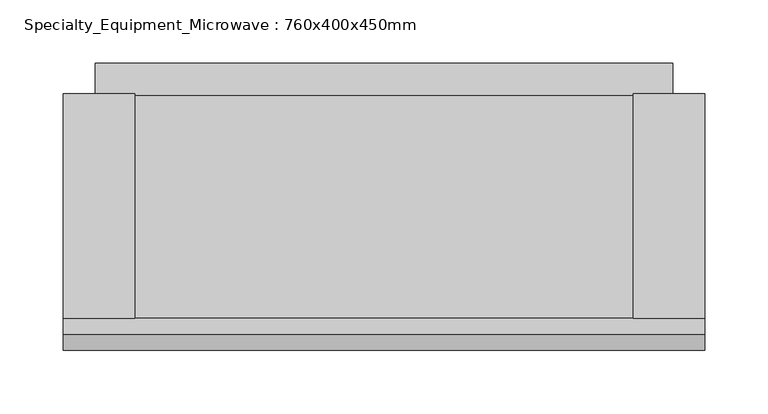
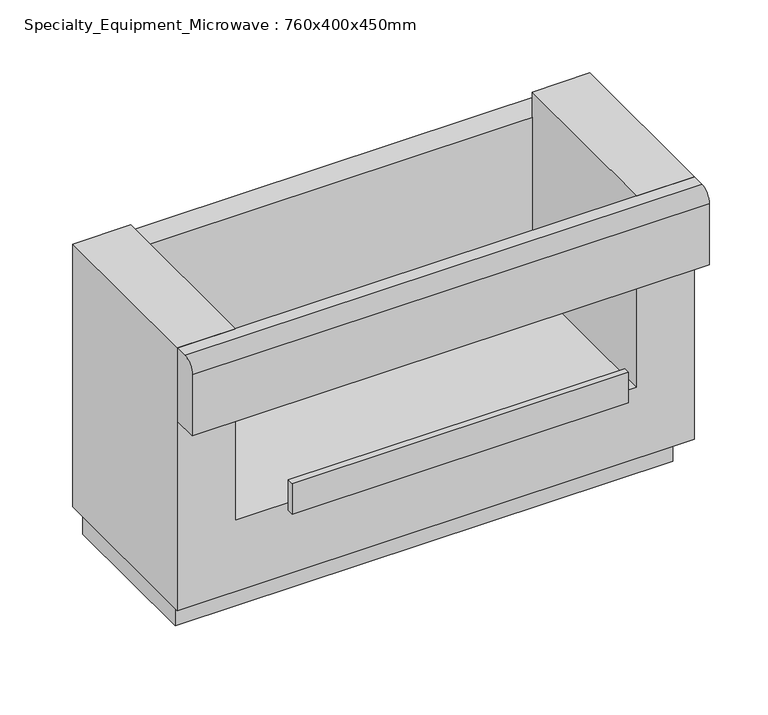
"""IFC4 building model written with IfcOpenShell, lengths in millimetres: proxy geometry, Specialty_Equipment_Microwave : 760x400x450mm."""

from ifc_helpers import new_model, si_unit, point, frame, frame_2d, origin, place, context, project, spatial, polyline, circle_curve, trimmed, segment, composite_curve, outline, extrude, source, transform, mapped, element, save


def specialty_equipment_microwave_760x400x450mm_11a3639a(model_context):
    return source(origin(), model_context, "Body", "SweptSolid", [
        extrude(outline(polyline([(744.7678773, -264.1805058), (744.7678773, -421.3430058), (255.8178773, -421.3430058), (255.8178773, -264.1805058), (744.7678773, -264.1805058)])), frame((0.0, 0.0, 914.4), z_axis=(0.0, 0.0, 1.0), x_axis=(1.0, 0.0, 0.0)), (0.0, 0.0, 1.0), 31.75),
        extrude(outline(polyline([(946.15, 246.2928773), (946.15, 754.2928773), (1219.2, 754.2928773), (1219.2, 697.5397523), (1020.1764904, 697.5397523), (1020.1764904, 303.0460023), (1219.2, 303.0460023), (1219.2, 246.2928773), (946.15, 246.2928773)])), frame((0.0, -441.9805058, 0.0), z_axis=(0.0, 1.0, 0.0), x_axis=(0.0, 0.0, 1.0)), (0.0, 0.0, 1.0), 177.8),
        extrude(outline(polyline([(-239.9441495, 1193.8), (-239.9441495, 961.946551), (-265.3441495, 936.546551), (-265.3441495, 1193.8), (-239.9441495, 1193.8)])), frame((271.6928773, 0.0, 0.0), z_axis=(1.0, 0.0, 0.0), x_axis=(0.0, 1.0, 0.0)), (0.0, 0.0, 1.0), 457.2),
        extrude(outline(composite_curve([segment(polyline([(-454.6805058, 1219.2), (-441.9805058, 1219.2), (-441.9805058, 1143.0), (-467.3805058, 1143.0), (-467.3805058, 1206.5)]), True, "CONTINUOUS"), segment(trimmed(circle_curve(frame_2d((-454.6805058, 1206.5)), 12.7), [point((-467.3805058, 1206.5))], [point((-454.6805058, 1219.2))], False, "CARTESIAN"), True, "CONTINUOUS")], self_intersect=False)), frame((246.2928773, 0.0, 0.0), z_axis=(1.0, 0.0, 0.0), x_axis=(0.0, 1.0, 0.0)), (0.0, 0.0, 1.0), 508.0),
        extrude(outline(polyline([(678.4897523, -461.0305058), (347.8928773, -461.0305058), (347.8928773, -454.6805058), (678.4897523, -454.6805058), (678.4897523, -461.0305058)])), frame((0.0, 0.0, 1022.35), z_axis=(0.0, 0.0, 1.0), x_axis=(1.0, 0.0, 0.0)), (0.0, 0.0, 1.0), 31.75),
    ])


if __name__ == "__main__":
    model = new_model("IFC4")
    model_context = context("Model", 3, world=origin())
    ifc_project = project(units=[si_unit("LENGTHUNIT", "METRE", prefix="MILLI")], contexts=[model_context])
    site = spatial("IfcSite", under=ifc_project)
    building = spatial("IfcBuilding", under=site)
    placement = place(None, origin())
    specialty_equipment_microwave_760x400x450mm_shape = specialty_equipment_microwave_760x400x450mm_11a3639a(model_context)
    element("IfcBuildingElementProxy", 1, Name="Specialty_Equipment_Microwave : 760x400x450mm", ObjectType="Specialty_Equipment_Microwave : 760x400x450mm", at=placement, inside=building, context=model_context, shape_type="MappedRepresentation", body=[
        mapped(specialty_equipment_microwave_760x400x450mm_shape, transform((0.0, 0.0, 0.0), x_axis=(1.0, 0.0, 0.0), y_axis=(0.0, 1.0, 0.0), z_axis=(0.0, 0.0, 1.0))),
    ])
    save(model, "model.ifc")
